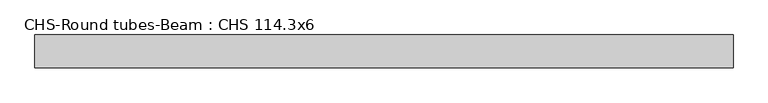
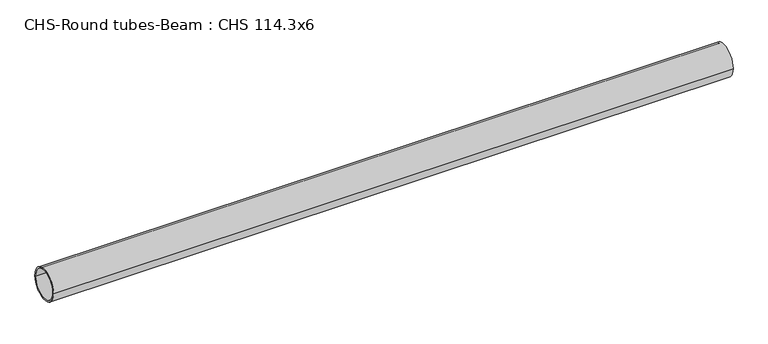
"""IFC4 building model written with IfcOpenShell, lengths in millimetres: beam geometry, CHS-Round tubes-Beam : CHS 114.3x6."""

from ifc_helpers import new_model, si_unit, point, frame, origin, origin_2d, place, context, project, spatial, circle_curve, trimmed, segment, composite_curve, outline, extrude, source, transform, mapped, element, save


def chs_round_tubes_beam_chs_114_3x6_00d42abc(model_context):
    return source(origin(), model_context, "Body", "SweptSolid", [
        extrude(outline(composite_curve([segment(trimmed(circle_curve(origin_2d(), 57.15), [point((57.15, 0.0))], [point((-57.15, 0.0))], False, "CARTESIAN"), True, "CONTINUOUS"), segment(trimmed(circle_curve(origin_2d(), 57.15), [point((-57.15, 0.0))], [point((57.15, 0.0))], False, "CARTESIAN"), True, "CONTINUOUS")], self_intersect=False), holes=[composite_curve([segment(trimmed(circle_curve(origin_2d(), 51.15), [point((51.15, 0.0))], [point((-51.15, 0.0))], True, "CARTESIAN"), True, "CONTINUOUS"), segment(trimmed(circle_curve(origin_2d(), 51.15), [point((-51.15, 0.0))], [point((51.15, 0.0))], True, "CARTESIAN"), True, "CONTINUOUS")], self_intersect=False)]), frame((-1195.3805388, 0.0, 0.0), z_axis=(1.0, 0.0, 0.0), x_axis=(0.0, 1.0, 0.0)), (0.0, 0.0, 1.0), 2417.4271297),
    ])


if __name__ == "__main__":
    model = new_model("IFC4")
    model_context = context("Model", 3, world=origin())
    ifc_project = project(units=[si_unit("LENGTHUNIT", "METRE", prefix="MILLI")], contexts=[model_context])
    site = spatial("IfcSite", under=ifc_project)
    building = spatial("IfcBuilding", under=site)
    placement = place(None, origin())
    chs_round_tubes_beam_chs_114_3x6_shape = chs_round_tubes_beam_chs_114_3x6_00d42abc(model_context)
    element("IfcBeam", 1, ObjectType="CHS-Round tubes-Beam : CHS 114.3x6", at=placement, inside=building, context=model_context, shape_type="MappedRepresentation", body=[
        mapped(chs_round_tubes_beam_chs_114_3x6_shape, transform((0.0, 0.0, 0.0), x_axis=(1.0, 0.0, 0.0), y_axis=(0.0, 1.0, 0.0), z_axis=(0.0, 0.0, 1.0))),
    ])
    save(model, "model.ifc")
